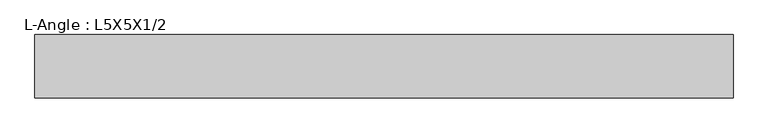
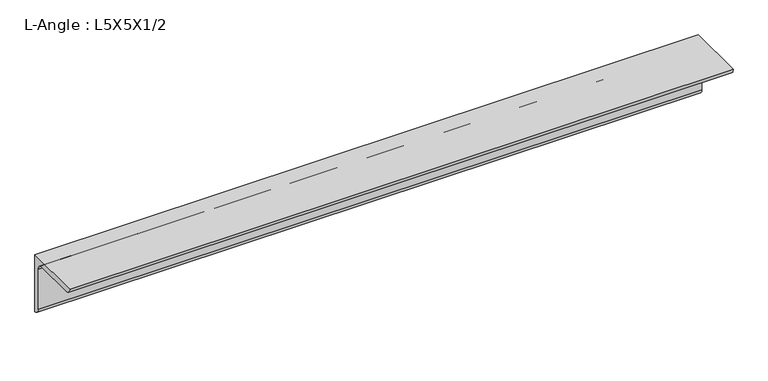
"""IFC4 building model written with IfcOpenShell, lengths in millimetres: beam geometry, L-Angle : L5X5X1/2."""

from ifc_helpers import new_model, si_unit, point, frame, frame_2d, origin, place, context, project, spatial, polyline, circle_curve, trimmed, segment, composite_curve, outline, extrude, source, transform, mapped, element, save


def l_angle_l5x5x1_2_1987905d(model_context):
    return source(origin(), model_context, "Body", "SweptSolid", [
        extrude(outline(composite_curve([segment(polyline([(36.068, 36.068), (36.068, -90.932)]), True, "CONTINUOUS"), segment(trimmed(circle_curve(frame_2d((36.068, -78.232)), 12.7), [point((36.068, -90.932))], [point((23.368, -78.232))], False, "CARTESIAN"), True, "CONTINUOUS"), segment(polyline([(23.368, -78.232), (23.368, 10.668)]), True, "CONTINUOUS"), segment(trimmed(circle_curve(frame_2d((10.668, 10.668)), 12.7), [point((23.368, 10.668))], [point((10.668, 23.368))], True, "CARTESIAN"), True, "CONTINUOUS"), segment(polyline([(10.668, 23.368), (-78.232, 23.368)]), True, "CONTINUOUS"), segment(trimmed(circle_curve(frame_2d((-78.232, 36.068)), 12.7), [point((-78.232, 23.368))], [point((-90.932, 36.068))], False, "CARTESIAN"), True, "CONTINUOUS"), segment(polyline([(-90.932, 36.068), (36.068, 36.068)]), True, "CONTINUOUS")], self_intersect=False)), frame((-127.5044669, 0.0, 0.0), z_axis=(1.0, 0.0, 0.0), x_axis=(0.0, 1.0, 0.0)), (0.0, 0.0, 1.0), 1400.0767541),
    ])


if __name__ == "__main__":
    model = new_model("IFC4")
    model_context = context("Model", 3, world=origin())
    ifc_project = project(units=[si_unit("LENGTHUNIT", "METRE", prefix="MILLI")], contexts=[model_context])
    site = spatial("IfcSite", under=ifc_project)
    building = spatial("IfcBuilding", under=site)
    placement = place(None, origin())
    l_angle_l5x5x1_2_shape = l_angle_l5x5x1_2_1987905d(model_context)
    element("IfcBeam", 1, ObjectType="L-Angle : L5X5X1/2", at=placement, inside=building, context=model_context, shape_type="MappedRepresentation", body=[
        mapped(l_angle_l5x5x1_2_shape, transform((0.0, 0.0, 0.0), x_axis=(1.0, 0.0, 0.0), y_axis=(0.0, 1.0, 0.0), z_axis=(0.0, 0.0, 1.0))),
    ])
    save(model, "model.ifc")
